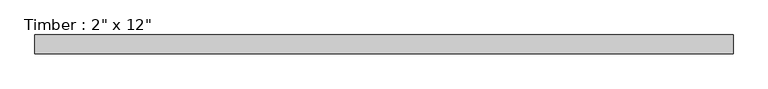
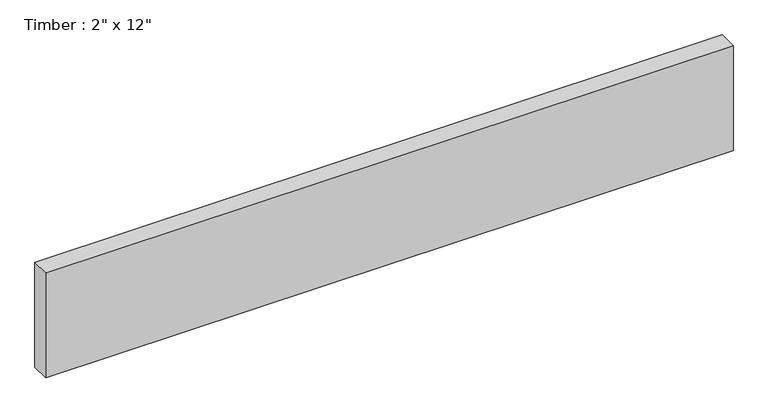
"""IFC4 building model written with IfcOpenShell, lengths in millimetres: beam geometry."""

import ifcopenshell
import ifcopenshell.guid

model = None  # the IFC model being written
_history = None  # IfcOwnerHistory: only IFC2X3 demands one
_inside = {}  # id of a spatial element -> (the spatial element, [elements in it])
_under = {}  # id of a project, library or spatial element -> (it, [spatial elements below it])
_declared = {}  # id of a project -> (the project, [libraries it declares])
_typed = {}  # id of a type object -> (the type object, [elements of that type])
_made_of = {}  # id of a material, layer set ... -> (it, [elements and type objects made of it])


def new_model(schema):
    """Start an empty IFC model of exactly this schema.

    Asked for "IFC4X3", IfcOpenShell would pick the latest addendum, in which some entities
    have other attributes; the version numbers below select the first issue.
    IFC2X3 requires an IfcOwnerHistory on every rooted entity: one is made here for all.
    """
    global model, _history
    if schema == "IFC4X3":
        model = ifcopenshell.file(schema_version=(4, 3, 0, 0))
    else:
        model = ifcopenshell.file(schema=schema)
    _inside.clear()
    _under.clear()
    _declared.clear()
    _typed.clear()
    _made_of.clear()
    _history = None
    if model.schema == "IFC2X3":
        org = make("IfcOrganization", Name="unknown")
        user = make(
            "IfcPersonAndOrganization",
            ThePerson=make("IfcPerson", FamilyName="unknown"),
            TheOrganization=org,
        )
        app = make(
            "IfcApplication",
            ApplicationDeveloper=org,
            Version="unknown",
            ApplicationFullName="unknown",
            ApplicationIdentifier="unknown",
        )
        _history = make(
            "IfcOwnerHistory",
            OwningUser=user,
            OwningApplication=app,
            ChangeAction="ADDED",
            CreationDate=0,
        )
    return model


def make(cls, **values):
    """One entity of the class cls with the attributes given. An attribute that is None is left unset."""
    return model.create_entity(
        cls, **{name: value for name, value in values.items() if value is not None}
    )


def rooted(cls, **values):
    """An entity with a GlobalId (a new one), such as an element, a storey or a relation."""
    return make(cls, GlobalId=ifcopenshell.guid.new(), OwnerHistory=_history, **values)


def si_unit(unit_type, name, prefix=None):
    """IfcSIUnit, for example si_unit("LENGTHUNIT", "METRE", prefix="MILLI")."""
    return make("IfcSIUnit", UnitType=unit_type, Prefix=prefix, Name=name)


def assignment(units):
    """IfcUnitAssignment: the units of a project."""
    return None if units is None else make("IfcUnitAssignment", Units=units)


def point(xyz):
    """IfcCartesianPoint."""
    return None if xyz is None else make("IfcCartesianPoint", Coordinates=xyz)


def direction(xyz):
    """IfcDirection."""
    return None if xyz is None else make("IfcDirection", DirectionRatios=xyz)


def frame(location, z_axis=None, x_axis=None):
    """IfcAxis2Placement3D, a coordinate frame: its origin and axes. An axis left out is left unset."""
    return make(
        "IfcAxis2Placement3D",
        Location=point(location),
        Axis=direction(z_axis),
        RefDirection=direction(x_axis),
    )


def origin():
    """The frame at (0, 0, 0) with its axes left unset."""
    return frame((0.0, 0.0, 0.0))


def place(relative_to, where):
    """IfcLocalPlacement: puts the frame where relative to a parent placement (None: the world)."""
    return make(
        "IfcLocalPlacement", PlacementRelTo=relative_to, RelativePlacement=where
    )


def context(
    kind, dimensions, precision=None, world=None, true_north=None, identifier=None
):
    """IfcGeometricRepresentationContext, for example the 3D "Model" context."""
    return make(
        "IfcGeometricRepresentationContext",
        ContextIdentifier=identifier,
        ContextType=kind,
        CoordinateSpaceDimension=dimensions,
        Precision=precision,
        WorldCoordinateSystem=world,
        TrueNorth=true_north,
    )


def project(units=None, contexts=None):
    """IfcProject with its units and contexts."""
    return rooted(
        "IfcProject",
        Name="project",
        RepresentationContexts=contexts,
        UnitsInContext=assignment(units),
    )


def spatial(cls, under=None, at=None, **own):
    """A site, building, storey or space (cls), placed at a placement, below another one or the project."""
    s = rooted(cls, ObjectPlacement=at, **own)
    if under is not None:
        _under.setdefault(under.id(), (under, []))[1].append(s)
    return s


def polyline(points):
    """IfcPolyline through the points."""
    return make("IfcPolyline", Points=[point(p) for p in points])


def outline(outer, holes=None, kind="AREA"):
    """IfcArbitraryClosedProfileDef: a profile drawn as a closed curve; with holes, ...WithVoids."""
    if holes is None:
        return make("IfcArbitraryClosedProfileDef", ProfileType=kind, OuterCurve=outer)
    return make(
        "IfcArbitraryProfileDefWithVoids",
        ProfileType=kind,
        OuterCurve=outer,
        InnerCurves=holes,
    )


def extrude(swept, where, along, depth):
    """IfcExtrudedAreaSolid: the profile swept, set in the frame where, extruded along a direction by depth."""
    return make(
        "IfcExtrudedAreaSolid",
        SweptArea=swept,
        Position=where,
        ExtrudedDirection=direction(along),
        Depth=depth,
    )


def shape(context_of_items, identifier, shape_type, items):
    """IfcShapeRepresentation: the items that make up one representation, for example the "Body"."""
    return make(
        "IfcShapeRepresentation",
        ContextOfItems=context_of_items,
        RepresentationIdentifier=identifier,
        RepresentationType=shape_type,
        Items=items,
    )


def source(mapping_origin, context_of_items, identifier, shape_type, items):
    """IfcRepresentationMap: a shape defined once, which mapped items show again and again."""
    return make(
        "IfcRepresentationMap",
        MappingOrigin=mapping_origin,
        MappedRepresentation=shape(context_of_items, identifier, shape_type, items),
    )


def transform(
    local_origin,
    x_axis=None,
    y_axis=None,
    z_axis=None,
    scale=None,
    scale2=None,
    scale3=None,
    uniform=True,
):
    """IfcCartesianTransformationOperator3D, or its non-uniform kind. x_axis, y_axis, z_axis: its Axis1, 2, 3."""
    if uniform:
        return make(
            "IfcCartesianTransformationOperator3D",
            Axis1=direction(x_axis),
            Axis2=direction(y_axis),
            LocalOrigin=point(local_origin),
            Scale=scale,
            Axis3=direction(z_axis),
        )
    return make(
        "IfcCartesianTransformationOperator3DnonUniform",
        Axis1=direction(x_axis),
        Axis2=direction(y_axis),
        LocalOrigin=point(local_origin),
        Scale=scale,
        Axis3=direction(z_axis),
        Scale2=scale2,
        Scale3=scale3,
    )


def mapped(mapping_source, mapping_target):
    """IfcMappedItem: shows the shape of a source again, moved by a transform."""
    return make(
        "IfcMappedItem", MappingSource=mapping_source, MappingTarget=mapping_target
    )


def made_of(thing, what):
    """Note that an element or type object is made of a material, layer set ...; save() writes the relation."""
    if what is not None:
        _made_of.setdefault(what.id(), (what, []))[1].append(thing)
    return thing


def element(
    cls,
    number,
    at=None,
    inside=None,
    cuts=None,
    type_object=None,
    material=None,
    context=None,
    identifier="Body",
    shape_type=None,
    held_by="IfcProductDefinitionShape",
    body=None,
    shapes=None,
    **own,
):
    """One element of the class cls, such as IfcWall. Its Tag is "e" and its number.

    at: its placement. inside: the storey or other place that contains it. cuts: it is an
    opening in that element (IfcRelVoidsElement). A single representation is given by context,
    identifier, shape_type and body (its items); several are given by shapes. held_by: the class
    of the entity that holds the representations. save() writes the other relations.
    """
    e = rooted(cls, Tag="e%d" % number, ObjectPlacement=at, **own)
    if body is not None:
        shapes = [shape(context, identifier, shape_type, body)]
    if shapes is not None:
        e.Representation = make(held_by, Representations=shapes)
    if inside is not None:
        _inside.setdefault(inside.id(), (inside, []))[1].append(e)
    if cuts is not None:
        rooted(
            "IfcRelVoidsElement", RelatingBuildingElement=cuts, RelatedOpeningElement=e
        )
    if type_object is not None:
        _typed.setdefault(type_object.id(), (type_object, []))[1].append(e)
    return made_of(e, material)


def aggregate(whole, parts):
    """IfcRelAggregates: a whole, such as a stair, and the parts it consists of."""
    return rooted("IfcRelAggregates", RelatingObject=whole, RelatedObjects=parts)


def save(model, path):
    """Write the relations noted so far, then the file.

    IfcRelAggregates (storeys below a building ...), IfcRelContainedInSpatialStructure (elements
    in a storey), IfcRelDefinesByType, IfcRelAssociatesMaterial and IfcRelDeclares: one each for
    every whole, place, type object, material and project.
    """
    for whole, parts in _under.values():
        aggregate(whole, parts)
    for where, things in _inside.values():
        rooted(
            "IfcRelContainedInSpatialStructure",
            RelatedElements=things,
            RelatingStructure=where,
        )
    for kind, things in _typed.values():
        rooted("IfcRelDefinesByType", RelatedObjects=things, RelatingType=kind)
    for what, things in _made_of.values():
        rooted("IfcRelAssociatesMaterial", RelatedObjects=things, RelatingMaterial=what)
    for by, libraries in _declared.values():
        rooted("IfcRelDeclares", RelatingContext=by, RelatedDefinitions=libraries)
    model.write(path)


def beam_62d85452(model_context):
    return source(origin(), model_context, "Body", "SweptSolid", [
        extrude(outline(polyline([(942.975, 25.4), (942.975, -25.4), (-942.9749994, -25.4), (-942.9749994, 25.4), (942.975, 25.4)])), frame((0.0, 0.0, -152.4), z_axis=(0.0, 0.0, 1.0), x_axis=(1.0, 0.0, 0.0)), (0.0, 0.0, 1.0), 304.8),
    ])


if __name__ == "__main__":
    model = new_model("IFC4")
    model_context = context("Model", 3, world=origin())
    ifc_project = project(units=[si_unit("LENGTHUNIT", "METRE", prefix="MILLI")], contexts=[model_context])
    site = spatial("IfcSite", under=ifc_project)
    building = spatial("IfcBuilding", under=site)
    placement = place(None, origin())
    beam_shape = beam_62d85452(model_context)
    element("IfcBeam", 1, ObjectType="Timber : 2\" x 12\"", at=placement, inside=building, context=model_context, shape_type="MappedRepresentation", body=[
        mapped(beam_shape, transform((0.0, 0.0, 0.0), x_axis=(1.0, 0.0, 0.0), y_axis=(0.0, 1.0, 0.0), z_axis=(0.0, 0.0, 1.0))),
    ])
    save(model, "model.ifc")
